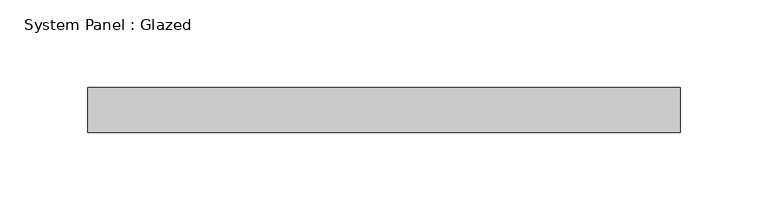
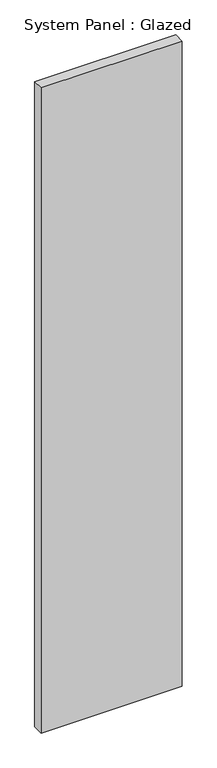
"""IFC4 building model written with IfcOpenShell, lengths in millimetres: plate geometry, System Panel : Glazed."""

from ifc_helpers import new_model, si_unit, origin, origin_with_axes, place, context, project, spatial, polyline, outline, extrude, source, transform, mapped, element, save


def system_panel_glazed_4419caa5(model_context):
    return source(origin(), model_context, "Body", "SweptSolid", [
        extrude(outline(polyline([(168.275, -12.7), (-168.275, -12.7), (-168.275, 12.7), (168.275, 12.7), (168.275, -12.7)])), origin_with_axes(), (0.0, 0.0, 1.0), 1625.6),
    ])


if __name__ == "__main__":
    model = new_model("IFC4")
    model_context = context("Model", 3, world=origin())
    ifc_project = project(units=[si_unit("LENGTHUNIT", "METRE", prefix="MILLI")], contexts=[model_context])
    site = spatial("IfcSite", under=ifc_project)
    building = spatial("IfcBuilding", under=site)
    placement = place(None, origin())
    system_panel_glazed_shape = system_panel_glazed_4419caa5(model_context)
    element("IfcPlate", 1, ObjectType="System Panel : Glazed", at=placement, inside=building, context=model_context, shape_type="MappedRepresentation", body=[
        mapped(system_panel_glazed_shape, transform((0.0, 0.0, 0.0), x_axis=(1.0, 0.0, 0.0), y_axis=(0.0, 1.0, 0.0), z_axis=(0.0, 0.0, 1.0))),
    ])
    save(model, "model.ifc")
